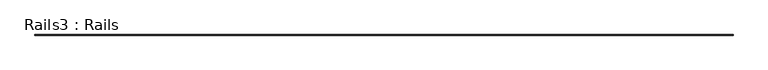
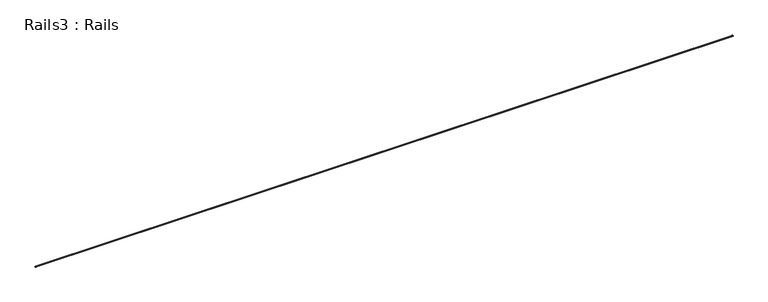
"""IFC4 building model written with IfcOpenShell, lengths in millimetres: geographic element geometry, Rails3 : Rails."""

from ifc_helpers import new_model, si_unit, frame, origin, place, context, project, spatial, polyline, outline, extrude, source, transform, mapped, element, save


def rails3_rails_5520055d(model_context):
    return source(origin(), model_context, "Body", "SweptSolid", [
        extrude(outline(polyline([(23335.2751014, -760.0), (23195.2751014, -760.0), (23195.2751014, -745.0), (23258.2751014, -745.0), (23258.2751014, -656.0), (23232.7751014, -656.0), (23232.7751014, -607.0), (23297.7751014, -607.0), (23297.7751014, -656.0), (23272.2751014, -656.0), (23272.2751014, -745.0), (23335.2751014, -745.0), (23335.2751014, -760.0)])), frame((-75461.4052033, 0.0, 0.0), z_axis=(1.0, 0.0, 0.0), x_axis=(0.0, 1.0, 0.0)), (0.0, 0.0, 1.0), 143753.8302848),
    ])


if __name__ == "__main__":
    model = new_model("IFC4")
    model_context = context("Model", 3, world=origin())
    ifc_project = project(units=[si_unit("LENGTHUNIT", "METRE", prefix="MILLI")], contexts=[model_context])
    site = spatial("IfcSite", under=ifc_project)
    building = spatial("IfcBuilding", under=site)
    placement = place(None, origin())
    rails3_rails_shape = rails3_rails_5520055d(model_context)
    element("IfcGeographicElement", 1, ObjectType="Rails3 : Rails", at=placement, inside=building, context=model_context, shape_type="MappedRepresentation", body=[
        mapped(rails3_rails_shape, transform((0.0, 0.0, 0.0), x_axis=(1.0, 0.0, 0.0), y_axis=(0.0, 1.0, 0.0), z_axis=(0.0, 0.0, 1.0))),
    ])
    save(model, "model.ifc")
